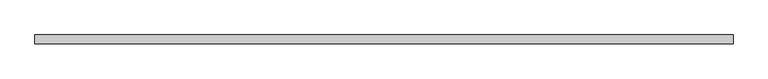
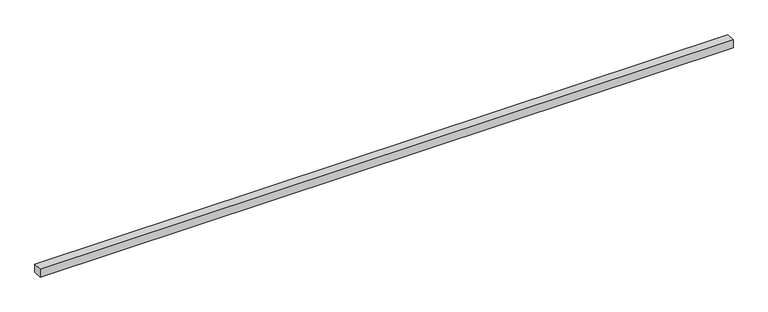
"""IFC4 building model written with IfcOpenShell, lengths in millimetres: proxy geometry."""

from ifc_helpers import new_model, si_unit, origin, place, context, project, spatial, faceted_brep, source, transform, mapped, element, save


def generic_models_c3f2467c(model_context):
    return source(origin(), model_context, "Body", "Brep", [
        faceted_brep([(-863.5, 12.0, 20.0), (863.5, 12.0, 20.0), (863.5, 12.0, 2.0), (863.5, 12.0, 0.0), (-863.5, 12.0, 0.0), (-863.5, 12.0, 2.0), (863.5, -10.0, 0.0), (863.5, -10.0, 20.0), (-863.5, -10.0, 20.0), (-863.5, -10.0, 0.0)], [[[0, 1, 2, 3, 4, 5]], [[6, 7, 8, 9]], [[7, 6, 3, 2, 1]], [[4, 3, 6, 9]], [[8, 7, 1, 0]], [[8, 0, 5, 4, 9]]]),
    ])


if __name__ == "__main__":
    model = new_model("IFC4")
    model_context = context("Model", 3, world=origin())
    ifc_project = project(units=[si_unit("LENGTHUNIT", "METRE", prefix="MILLI")], contexts=[model_context])
    site = spatial("IfcSite", under=ifc_project)
    building = spatial("IfcBuilding", under=site)
    placement = place(None, origin())
    generic_models_shape = generic_models_c3f2467c(model_context)
    element("IfcBuildingElementProxy", 1, Name="Generic Models", at=placement, inside=building, context=model_context, shape_type="MappedRepresentation", body=[
        mapped(generic_models_shape, transform((0.0, 0.0, 0.0), x_axis=(1.0, 0.0, 0.0), y_axis=(0.0, 1.0, 0.0), z_axis=(0.0, 0.0, 1.0))),
    ])
    save(model, "model.ifc")
